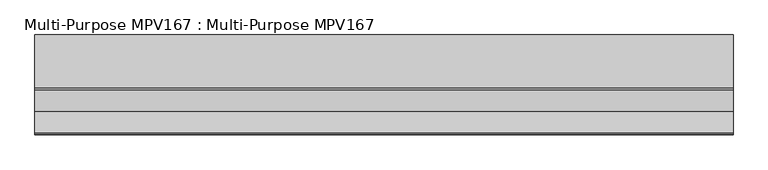
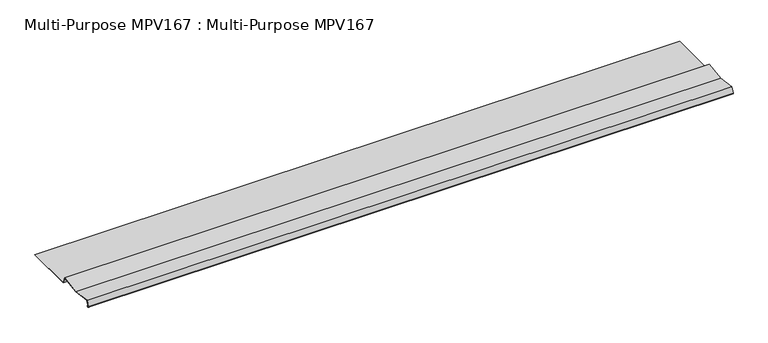
"""IFC4 building model written with IfcOpenShell, lengths in millimetres: proxy geometry, Multi-Purpose MPV167 : Multi-Purpose MPV167."""

from ifc_helpers import new_model, si_unit, point, frame, frame_2d, origin, place, context, project, spatial, polyline, circle_curve, trimmed, segment, composite_curve, outline, extrude, source, transform, mapped, element, save


def multi_purpose_mpv167_multi_purpose_mpv167_dc709485(model_context):
    return source(origin(), model_context, "Body", "SweptSolid", [
        extrude(outline(composite_curve([segment(polyline([(-300.3772495, 296.8898144), (-300.9115641, 296.2773181), (-301.7926686, 297.0459545)]), True, "CONTINUOUS"), segment(trimmed(circle_curve(frame_2d((-303.0908861, 295.5577799)), 1.97485), [point((-301.7926686, 297.0459545))], [point((-304.1806413, 297.2047365))], True, "CARTESIAN"), True, "CONTINUOUS"), segment(polyline([(-304.1806413, 297.2047365), (-306.9838727, 295.3498997)]), True, "CONTINUOUS"), segment(trimmed(circle_curve(frame_2d((-308.2978861, 297.3357799)), 2.38125), [point((-306.9838727, 295.3498997))], [point((-310.5355292, 298.1502153))], False, "CARTESIAN"), True, "CONTINUOUS"), segment(polyline([(-310.5355292, 298.1502153), (-300.4384436, 325.8917299), (-208.3634436, 313.1917299), (-116.2884436, 325.8917299), (-105.0282237, 294.9545299), (126.2008639, 294.9545299), (126.2008639, 294.1417299), (-105.5973524, 294.1417299), (-116.8276993, 324.9968544), (-208.3634436, 312.3712345), (-299.899188, 324.9968544), (-309.771747, 297.8722213)]), True, "CONTINUOUS"), segment(trimmed(circle_curve(frame_2d((-308.2978861, 297.3357799)), 1.56845), [point((-309.771747, 297.8722213))], [point((-307.4323893, 296.0277468))], True, "CARTESIAN"), True, "CONTINUOUS"), segment(polyline([(-307.4323893, 296.0277468), (-304.6291579, 297.8825836)]), True, "CONTINUOUS"), segment(trimmed(circle_curve(frame_2d((-303.0908861, 295.5577799)), 2.78765), [point((-304.6291579, 297.8825836))], [point((-301.258354, 297.6584508))], False, "CARTESIAN"), True, "CONTINUOUS"), segment(polyline([(-301.258354, 297.6584508), (-300.3772495, 296.8898144)]), True, "CONTINUOUS")], self_intersect=False)), frame((-1102.2989423, 0.0, 0.0), z_axis=(1.0, 0.0, 0.0), x_axis=(0.0, 1.0, 0.0)), (0.0, 0.0, 1.0), 3048.0),
    ])


if __name__ == "__main__":
    model = new_model("IFC4")
    model_context = context("Model", 3, world=origin())
    ifc_project = project(units=[si_unit("LENGTHUNIT", "METRE", prefix="MILLI")], contexts=[model_context])
    site = spatial("IfcSite", under=ifc_project)
    building = spatial("IfcBuilding", under=site)
    placement = place(None, origin())
    multi_purpose_mpv167_multi_purpose_mpv167_shape = multi_purpose_mpv167_multi_purpose_mpv167_dc709485(model_context)
    element("IfcBuildingElementProxy", 1, Name="Multi-Purpose MPV167 : Multi-Purpose MPV167", ObjectType="Multi-Purpose MPV167 : Multi-Purpose MPV167", at=placement, inside=building, context=model_context, shape_type="MappedRepresentation", body=[
        mapped(multi_purpose_mpv167_multi_purpose_mpv167_shape, transform((0.0, 0.0, 0.0), x_axis=(1.0, 0.0, 0.0), y_axis=(0.0, 1.0, 0.0), z_axis=(0.0, 0.0, 1.0))),
    ])
    save(model, "model.ifc")
